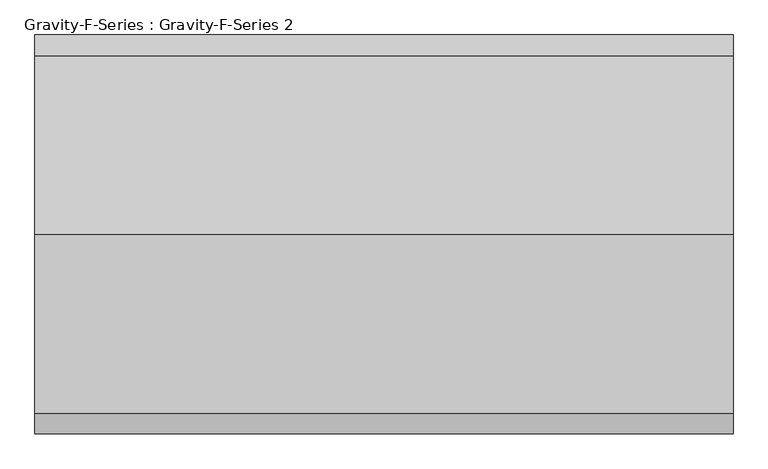
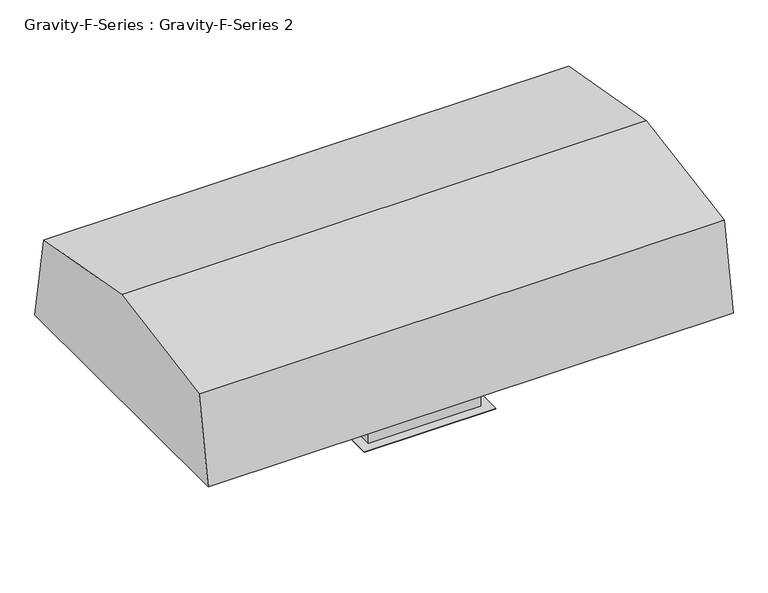
"""IFC4 building model written with IfcOpenShell, lengths in millimetres: proxy geometry, Gravity-F-Series : Gravity-F-Series 2."""

from ifc_helpers import new_model, si_unit, frame, origin, origin_with_axes, place, context, project, spatial, polyline, outline, extrude, faceted_brep, source, transform, mapped, element, save


def gravity_f_series_gravity_f_series_2_d16cef14(model_context):
    return source(origin(), model_context, "Body", "SolidModel", [
        faceted_brep([(253.0424473, 397.7765442, 298.45), (-356.5575527, 397.7765442, 298.45), (-356.5575527, -364.2234558, 298.45), (253.0424473, -364.2234558, 298.45), (-331.1575527, 372.3765442, 298.45), (227.6424473, 372.3765442, 298.45), (227.6424473, -335.6484558, 298.45), (-331.1575527, -335.6484558, 298.45), (253.0424473, 397.7765442, 0.0), (253.0424473, -364.2234558, 0.0), (-356.5575527, -364.2234558, 0.0), (-356.5575527, 397.7765442, 0.0), (249.8674473, -361.0484558, 0.0), (249.8674473, 394.9543219, 0.0), (-353.3825527, 394.9543219, 0.0), (-353.3825527, -361.0484558, 0.0), (253.0424473, 397.7765442, 273.05), (-356.5575527, 397.7765442, 273.05), (-356.5575527, -364.2234558, 273.05), (253.0424473, -364.2234558, 273.05), (249.8674473, -361.0484558, 273.05), (249.8674473, 394.9543219, 273.05), (-353.3825527, -361.0484558, 273.05), (-353.3825527, 394.9543219, 273.05), (-331.1575527, 372.3765442, 273.05), (-331.1575527, -335.6484558, 273.05), (227.6424473, -335.6484558, 273.05), (227.6424473, 372.3765442, 273.05)], [[[0, 1, 2, 3], [4, 5, 6, 7]], [[8, 9, 10, 11], [12, 13, 14, 15]], [[1, 0, 16, 8, 11, 17]], [[2, 1, 17, 11, 10, 18]], [[3, 2, 18, 10, 9, 19]], [[0, 3, 19, 9, 8, 16]], [[13, 12, 20, 21]], [[12, 15, 22, 20]], [[15, 14, 23, 22]], [[14, 13, 21, 23]], [[21, 20, 22, 23], [24, 25, 26, 27]], [[5, 4, 24, 27]], [[6, 5, 27, 26]], [[7, 6, 26, 25]], [[4, 7, 25, 24]]]),
        extrude(outline(polyline([(-407.3575527, -415.0234558), (-407.3575527, 448.5765442), (303.8424473, 448.5765442), (303.8424473, -415.0234558), (-407.3575527, -415.0234558)]), holes=[polyline([(-356.5575527, 397.7765442), (-356.5575527, -364.2234558), (253.0424473, -364.2234558), (253.0424473, 397.7765442), (-356.5575527, 397.7765442)])]), origin_with_axes(), (0.0, 0.0, 1.0), 3.175),
        faceted_brep([(265.7424473, 410.4765442, 304.8), (-369.2575527, 410.4765442, 304.8), (-369.2575527, -376.9234558, 304.8), (265.7424473, -376.9234558, 304.8), (265.7424473, 410.4765442, 260.35), (265.7424473, -376.9234558, 260.35), (-369.2575527, -376.9234558, 260.35), (-369.2575527, 410.4765442, 260.35), (262.5674473, -373.7484558, 260.35), (262.5674473, 407.3015442, 260.35), (-366.0825527, 407.3015442, 260.35), (-366.0825527, -373.7484558, 260.35), (262.5674473, 407.3015442, 301.625), (262.5674473, -373.7484558, 301.625), (-366.0825527, -373.7484558, 301.625), (-366.0825527, 407.3015442, 301.625)], [[[0, 1, 2, 3]], [[4, 5, 6, 7], [8, 9, 10, 11]], [[1, 0, 4, 7]], [[2, 1, 7, 6]], [[3, 2, 6, 5]], [[0, 3, 5, 4]], [[12, 13, 14, 15]], [[13, 12, 9, 8]], [[14, 13, 8, 11]], [[15, 14, 11, 10]], [[12, 15, 10, 9]]]),
        extrude(outline(polyline([(-796.0234558, 406.4), (-711.1671752, 887.6438818), (16.7765442, 1016.0), (744.7202635, 887.6438818), (829.5765442, 406.4), (-796.0234558, 406.4)])), frame((-1474.1575527, 0.0, 0.0), z_axis=(1.0, 0.0, 0.0), x_axis=(0.0, 1.0, 0.0)), (0.0, 0.0, 1.0), 2844.8),
        extrude(outline(polyline([(862.6424473, 397.7765442), (862.6424473, -364.2234558), (-966.1575527, -364.2234558), (-966.1575527, 397.7765442), (862.6424473, 397.7765442)])), frame((0.0, 0.0, 304.8), z_axis=(0.0, 0.0, 1.0), x_axis=(1.0, 0.0, 0.0)), (0.0, 0.0, 1.0), 101.6),
    ])


if __name__ == "__main__":
    model = new_model("IFC4")
    model_context = context("Model", 3, world=origin())
    ifc_project = project(units=[si_unit("LENGTHUNIT", "METRE", prefix="MILLI")], contexts=[model_context])
    site = spatial("IfcSite", under=ifc_project)
    building = spatial("IfcBuilding", under=site)
    placement = place(None, origin())
    gravity_f_series_gravity_f_series_2_shape = gravity_f_series_gravity_f_series_2_d16cef14(model_context)
    element("IfcBuildingElementProxy", 1, Name="Gravity-F-Series : Gravity-F-Series 2", ObjectType="Gravity-F-Series : Gravity-F-Series 2", at=placement, inside=building, context=model_context, shape_type="MappedRepresentation", body=[
        mapped(gravity_f_series_gravity_f_series_2_shape, transform((0.0, 0.0, 0.0), x_axis=(1.0, 0.0, 0.0), y_axis=(0.0, 1.0, 0.0), z_axis=(0.0, 0.0, 1.0))),
    ])
    save(model, "model.ifc")
